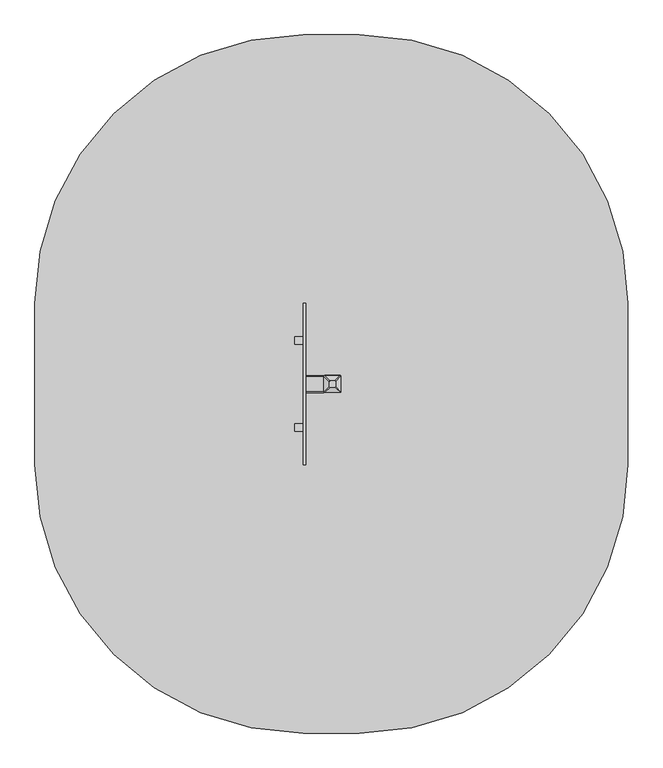
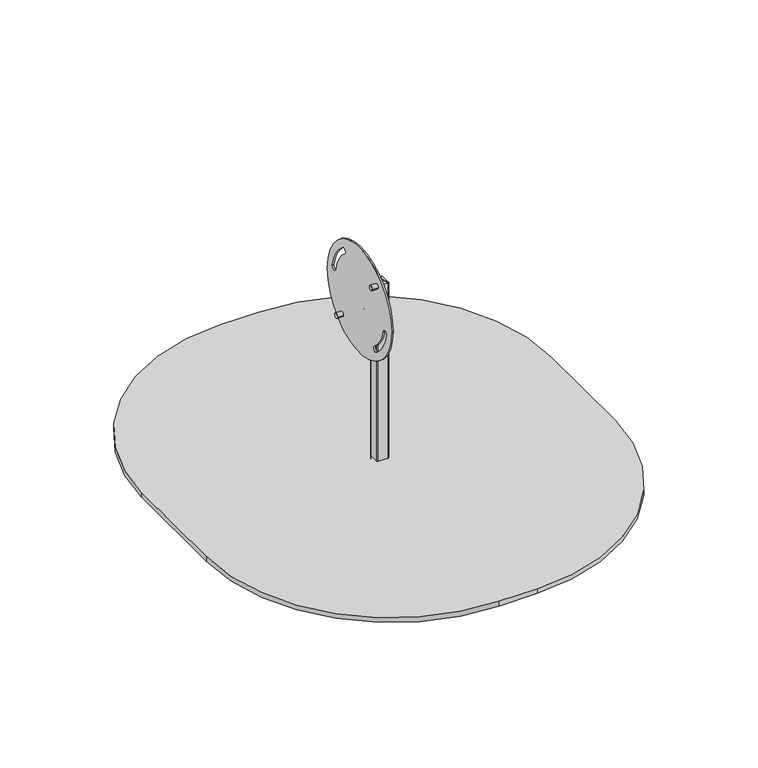
"""IFC4 building model written with IfcOpenShell, lengths in millimetres: furniture geometry."""

from ifc_helpers import new_model, si_unit, point, frame, frame_2d, origin, place, context, project, spatial, polyline, circle_curve, trimmed, segment, composite_curve, outline, extrude, source, transform, mapped, element, save
from ifc_brep_helpers import plane_surface, cylinder_surface, extruded_surface, advanced_brep


def furniture_e20603c4(model_context):
    return source(origin(), model_context, "Body", "SolidModel", [
        advanced_brep(
        [(17.5, -299.0, 1494.6967599), (17.5, -274.0, 1494.6967599), (12.5, -269.0, 1494.6967599), (-12.5, -269.0, 1494.6967599), (-17.5, -274.0, 1494.6967599), (-17.5, -299.0, 1494.6967599), (-12.5, -304.0, 1494.6967599), (12.5, -304.0, 1494.6967599), (47.5, -329.0, 1479.6967599), (42.5, -334.0, 1479.6967599), (-42.5, -334.0, 1479.6967599), (-47.5, -329.0, 1479.6967599), (-47.5, -244.0, 1479.6967599), (-42.5, -239.0, 1479.6967599), (42.5, -239.0, 1479.6967599), (47.5, -244.0, 1479.6967599)],
        [
            (0, 1),
            (1, 2, circle_curve(frame((12.5, -274.0, 1494.6967599), z_axis=(0.0, 0.0, 1.0), x_axis=(1.0, 0.0, 0.0)), 5.0)),
            (2, 3),
            (3, 4, circle_curve(frame((-12.5, -274.0, 1494.6967599), z_axis=(0.0, 0.0, 1.0), x_axis=(1.0, 0.0, 0.0)), 5.0)),
            (4, 5),
            (5, 6, circle_curve(frame((-12.5, -299.0, 1494.6967599), z_axis=(0.0, 0.0, 1.0), x_axis=(1.0, 0.0, 0.0)), 5.0)),
            (6, 7),
            (7, 0, circle_curve(frame((12.5, -299.0, 1494.6967599), z_axis=(0.0, 0.0, 1.0), x_axis=(1.0, 0.0, 0.0)), 5.0)),
            (8, 9, circle_curve(frame((42.5, -329.0, 1479.6967599), z_axis=(0.0, 0.0, -1.0), x_axis=(1.0, 0.0, 0.0)), 5.0)),
            (9, 10),
            (10, 11, circle_curve(frame((-42.5, -329.0, 1479.6967599), z_axis=(0.0, 0.0, -1.0), x_axis=(1.0, 0.0, 0.0)), 5.0)),
            (11, 12),
            (12, 13, circle_curve(frame((-42.5, -244.0, 1479.6967599), z_axis=(0.0, 0.0, -1.0), x_axis=(1.0, 0.0, 0.0)), 5.0)),
            (13, 14),
            (14, 15, circle_curve(frame((42.5, -244.0, 1479.6967599), z_axis=(0.0, 0.0, -1.0), x_axis=(1.0, 0.0, 0.0)), 5.0)),
            (15, 8),
            (15, 1),
            (0, 8),
            (14, 2),
            (13, 3),
            (12, 4),
            (11, 5),
            (10, 6),
            (9, 7),
        ],
        [
            plane_surface(frame((0.0, -286.5, 1494.6967599), z_axis=(0.0, 0.0, 1.0), x_axis=(-1.0, 0.0, 0.0))),
            plane_surface(frame((0.0, -286.5, 1479.6967599), z_axis=(0.0, 0.0, -1.0), x_axis=(-1.0, 0.0, 0.0))),
            plane_surface(frame((47.5, -286.5, 1479.6967599), z_axis=(0.447213595499958, 0.0, 0.894427190999916), x_axis=(0.0, 1.0, 0.0))),
            extruded_surface(trimmed(circle_curve(frame((42.5, -244.0, 1479.6967599), z_axis=(0.0, 0.0, 1.0), x_axis=(1.0, 0.0, 0.0)), 5.0), [point((47.5, -244.0, 1479.6967599))], [point((42.5, -239.0, 1479.6967599))], True, "CARTESIAN"), (-30.0, -30.0, 15.0), 45.0),
            plane_surface(frame((0.0, -239.0, 1479.6967599), z_axis=(0.0, 0.447213595499958, 0.894427190999916), x_axis=(-1.0, 0.0, 0.0))),
            extruded_surface(trimmed(circle_curve(frame((-42.5, -244.0, 1479.6967599), z_axis=(0.0, 0.0, 1.0), x_axis=(1.0, 0.0, 0.0)), 5.0), [point((-42.5, -239.0, 1479.6967599))], [point((-47.5, -244.0, 1479.6967599))], True, "CARTESIAN"), (30.0, -30.0, 15.0), 45.0),
            plane_surface(frame((-47.5, -286.5, 1479.6967599), z_axis=(-0.447213595499958, 0.0, 0.894427190999916), x_axis=(0.0, -1.0, 0.0))),
            extruded_surface(trimmed(circle_curve(frame((-42.5, -329.0, 1479.6967599), z_axis=(0.0, 0.0, 1.0), x_axis=(1.0, 0.0, 0.0)), 5.0), [point((-47.5, -329.0, 1479.6967599))], [point((-42.5, -334.0, 1479.6967599))], True, "CARTESIAN"), (30.0, 30.0, 15.0), 45.0),
            plane_surface(frame((0.0, -334.0, 1479.6967599), z_axis=(0.0, -0.447213595499958, 0.894427190999916), x_axis=(1.0, 0.0, 0.0))),
            extruded_surface(trimmed(circle_curve(frame((42.5, -329.0, 1479.6967599), z_axis=(0.0, 0.0, 1.0), x_axis=(1.0, 0.0, 0.0)), 5.0), [point((42.5, -334.0, 1479.6967599))], [point((47.5, -329.0, 1479.6967599))], True, "CARTESIAN"), (-30.0, 30.0, 15.0), 45.0),
        ],
        [
            (0, [[1, 2, 3, 4, 5, 6, 7, 8]]),
            (1, [[9, 10, 11, 12, 13, 14, 15, 16]]),
            (2, [[-16, 17, -1, 18]]),
            (3, [[-15, 19, -2, -17]]),
            (4, [[-14, 20, -3, -19]]),
            (5, [[-13, 21, -4, -20]]),
            (6, [[-12, 22, -5, -21]]),
            (7, [[-11, 23, -6, -22]]),
            (8, [[-10, 24, -7, -23]]),
            (9, [[-9, -18, -8, -24]]),
        ],
    ),
        extrude(outline(composite_curve([segment(trimmed(circle_curve(frame_2d((42.5, -329.0)), 5.0), [point((47.5, -329.0))], [point((42.5, -334.0))], False, "CARTESIAN"), True, "CONTINUOUS"), segment(polyline([(42.5, -334.0), (-42.5, -334.0)]), True, "CONTINUOUS"), segment(trimmed(circle_curve(frame_2d((-42.5, -329.0)), 5.0), [point((-42.5, -334.0))], [point((-47.5, -329.0))], False, "CARTESIAN"), True, "CONTINUOUS"), segment(polyline([(-47.5, -329.0), (-47.5, -244.0)]), True, "CONTINUOUS"), segment(trimmed(circle_curve(frame_2d((-42.5, -244.0)), 5.0), [point((-47.5, -244.0))], [point((-42.5, -239.0))], False, "CARTESIAN"), True, "CONTINUOUS"), segment(polyline([(-42.5, -239.0), (42.5, -239.0)]), True, "CONTINUOUS"), segment(trimmed(circle_curve(frame_2d((42.5, -244.0)), 5.0), [point((42.5, -239.0))], [point((47.5, -244.0))], False, "CARTESIAN"), True, "CONTINUOUS"), segment(polyline([(47.5, -244.0), (47.5, -329.0)]), True, "CONTINUOUS")], self_intersect=False)), frame((0.0, 0.0, -620.3032401), z_axis=(0.0, 0.0, 1.0), x_axis=(1.0, 0.0, 0.0)), (0.0, 0.0, 1.0), 500.0),
        advanced_brep(
        [(90.0, -136.5, -620.3032401), (150.0, -196.5, -620.3032401), (150.0, -376.5, -620.3032401), (90.0, -436.5, -620.3032401), (-90.0, -436.5, -620.3032401), (-150.0, -376.5, -620.3032401), (-150.0, -196.5, -620.3032401), (-90.0, -136.5, -620.3032401), (-90.0, -136.5, -480.3032401), (90.0, -136.5, -480.3032401), (-150.0, -376.5, -480.3032401), (-150.0, -196.5, -480.3032401), (90.0, -436.5, -480.3032401), (-90.0, -436.5, -480.3032401), (150.0, -196.5, -480.3032401), (150.0, -376.5, -480.3032401), (-12.2959549, -213.8010597, -270.3032401), (-72.2959549, -273.8010597, -270.3032401), (-72.2959549, -299.1989403, -270.3032401), (-12.2959549, -359.1989403, -270.3032401), (12.2959549, -359.1989403, -270.3032401), (72.2959549, -299.1989403, -270.3032401), (72.2959549, -273.8010597, -270.3032401), (12.2959549, -213.8010597, -270.3032401)],
        [
            (0, 1, circle_curve(frame((90.0, -196.5, -620.3032401), z_axis=(0.0, 0.0, -1.0), x_axis=(1.0, 0.0, 0.0)), 60.0)),
            (1, 2),
            (2, 3, circle_curve(frame((90.0, -376.5, -620.3032401), z_axis=(0.0, 0.0, -1.0), x_axis=(1.0, 0.0, 0.0)), 60.0)),
            (3, 4),
            (4, 5, circle_curve(frame((-90.0, -376.5, -620.3032401), z_axis=(0.0, 0.0, -1.0), x_axis=(1.0, 0.0, 0.0)), 60.0)),
            (5, 6),
            (6, 7, circle_curve(frame((-90.0, -196.5, -620.3032401), z_axis=(0.0, 0.0, -1.0), x_axis=(1.0, 0.0, 0.0)), 60.0)),
            (7, 0),
            (7, 8),
            (8, 9),
            (9, 0),
            (5, 10),
            (10, 11),
            (11, 6),
            (3, 12),
            (12, 13),
            (13, 4),
            (1, 14),
            (14, 15),
            (15, 2),
            (16, 17, circle_curve(frame((-12.2959549, -273.8010597, -270.3032401), z_axis=(0.0, 0.0, 1.0), x_axis=(1.0, 0.0, 0.0)), 60.0)),
            (17, 18),
            (18, 19, circle_curve(frame((-12.2959549, -299.1989403, -270.3032401), z_axis=(0.0, 0.0, 1.0), x_axis=(1.0, 0.0, 0.0)), 60.0)),
            (19, 20),
            (20, 21, circle_curve(frame((12.2959549, -299.1989403, -270.3032401), z_axis=(0.0, 0.0, 1.0), x_axis=(1.0, 0.0, 0.0)), 60.0)),
            (21, 22),
            (22, 23, circle_curve(frame((12.2959549, -273.8010597, -270.3032401), z_axis=(0.0, 0.0, 1.0), x_axis=(1.0, 0.0, 0.0)), 60.0)),
            (23, 16),
            (17, 11),
            (10, 18),
            (19, 13),
            (12, 20),
            (21, 15),
            (14, 22),
            (23, 9),
            (8, 16),
            (11, 8, circle_curve(frame((-90.0, -196.5, -480.3032401), z_axis=(0.0, 0.0, -1.0), x_axis=(1.0, 0.0, 0.0)), 60.0)),
            (13, 10, circle_curve(frame((-90.0, -376.5, -480.3032401), z_axis=(0.0, 0.0, -1.0), x_axis=(1.0, 0.0, 0.0)), 60.0)),
            (15, 12, circle_curve(frame((90.0, -376.5, -480.3032401), z_axis=(0.0, 0.0, -1.0), x_axis=(1.0, 0.0, 0.0)), 60.0)),
            (9, 14, circle_curve(frame((90.0, -196.5, -480.3032401), z_axis=(0.0, 0.0, -1.0), x_axis=(1.0, 0.0, 0.0)), 60.0)),
        ],
        [
            plane_surface(frame((-176.6329682, -136.5, -620.3032401), z_axis=(0.0, 0.0, -1.0), x_axis=(1.0, 0.0, 0.0))),
            plane_surface(frame((90.0, -136.5, -480.3032401), z_axis=(0.0, 1.0, 0.0), x_axis=(0.0, 0.0, -1.0))),
            plane_surface(frame((-150.0, -196.5, -480.3032401), z_axis=(-1.0, 0.0, 0.0), x_axis=(0.0, 0.0, -1.0))),
            plane_surface(frame((-90.0, -436.5, -480.3032401), z_axis=(0.0, -1.0, 0.0), x_axis=(0.0, 0.0, -1.0))),
            plane_surface(frame((150.0, -376.5, -480.3032401), z_axis=(1.0, 0.0, 0.0), x_axis=(0.0, 0.0, -1.0))),
            plane_surface(frame((0.0, -286.5, -270.3032401), z_axis=(0.0, 0.0, 1.0), x_axis=(-1.0, 0.0, 0.0))),
            plane_surface(frame((-150.0, -286.5, -480.3032401), z_axis=(-0.9378559633153523, 0.0, 0.3470247715564883), x_axis=(0.0, -1.0, 0.0))),
            plane_surface(frame((0.0, -436.5, -480.3032401), z_axis=(0.0, -0.9384407279810882, 0.3454402988452927), x_axis=(1.0, 0.0, 0.0))),
            plane_surface(frame((150.0, -286.5, -480.3032401), z_axis=(0.9378559633153524, 0.0, 0.34702477155648764), x_axis=(0.0, 1.0, 0.0))),
            plane_surface(frame((0.0, -136.5, -480.3032401), z_axis=(0.0, 0.9384407279810884, 0.3454402988452924), x_axis=(-1.0, 0.0, 0.0))),
            cylinder_surface(frame((-90.0, -196.5, -620.3032401), z_axis=(0.0, 0.0, 1.0), x_axis=(1.0, 0.0, 0.0)), 60.0),
            cylinder_surface(frame((-90.0, -376.5, -620.3032401), z_axis=(0.0, 0.0, 1.0), x_axis=(1.0, 0.0, 0.0)), 60.0),
            cylinder_surface(frame((90.0, -376.5, -620.3032401), z_axis=(0.0, 0.0, 1.0), x_axis=(1.0, 0.0, 0.0)), 60.0),
            cylinder_surface(frame((90.0, -196.5, -620.3032401), z_axis=(0.0, 0.0, 1.0), x_axis=(1.0, 0.0, 0.0)), 60.0),
            extruded_surface(trimmed(circle_curve(frame((-90.0, -196.5, -480.3032401), z_axis=(0.0, 0.0, 1.0), x_axis=(1.0, 0.0, 0.0)), 60.0), [point((-90.0, -136.5, -480.3032401))], [point((-150.0, -196.5, -480.3032401))], True, "CARTESIAN"), (77.7040451, -77.3010597, 210.0), 236.8826132404947),
            extruded_surface(trimmed(circle_curve(frame((90.0, -196.5, -480.3032401), z_axis=(0.0, 0.0, 1.0), x_axis=(1.0, 0.0, 0.0)), 60.0), [point((150.0, -196.5, -480.3032401))], [point((90.0, -136.5, -480.3032401))], True, "CARTESIAN"), (-77.7040451, -77.3010597, 210.0), 236.8826132404947),
            extruded_surface(trimmed(circle_curve(frame((-90.0, -376.5, -480.3032401), z_axis=(0.0, 0.0, 1.0), x_axis=(1.0, 0.0, 0.0)), 60.0), [point((-150.0, -376.5, -480.3032401))], [point((-90.0, -436.5, -480.3032401))], True, "CARTESIAN"), (77.7040451, 77.3010597, 210.0), 236.8826132404947),
            extruded_surface(trimmed(circle_curve(frame((90.0, -376.5, -480.3032401), z_axis=(0.0, 0.0, 1.0), x_axis=(1.0, 0.0, 0.0)), 60.0), [point((90.0, -436.5, -480.3032401))], [point((150.0, -376.5, -480.3032401))], True, "CARTESIAN"), (-77.7040451, 77.3010597, 210.0), 236.8826132404947),
        ],
        [
            (0, [[1, 2, 3, 4, 5, 6, 7, 8]]),
            (1, [[-8, 9, 10, 11]]),
            (2, [[-6, 12, 13, 14]]),
            (3, [[-4, 15, 16, 17]]),
            (4, [[-2, 18, 19, 20]]),
            (5, [[21, 22, 23, 24, 25, 26, 27, 28]]),
            (6, [[-22, 29, -13, 30]]),
            (7, [[-24, 31, -16, 32]]),
            (8, [[-26, 33, -19, 34]]),
            (9, [[-28, 35, -10, 36]]),
            (10, [[-7, -14, 37, -9]]),
            (11, [[-5, -17, 38, -12]]),
            (12, [[-3, -20, 39, -15]]),
            (13, [[-1, -11, 40, -18]]),
            (14, [[-21, -36, -37, -29]]),
            (15, [[-27, -34, -40, -35]]),
            (16, [[-23, -30, -38, -31]]),
            (17, [[-25, -32, -39, -33]]),
        ],
    ),
        extrude(outline(composite_curve([segment(trimmed(circle_curve(frame_2d((-529.7391654, 1641.7388796)), 20.0), [point((-509.7391654, 1641.7388796))], [point((-549.7391654, 1641.7388796))], False, "CARTESIAN"), True, "CONTINUOUS"), segment(trimmed(circle_curve(frame_2d((-529.7391654, 1641.7388796)), 20.0), [point((-549.7391654, 1641.7388796))], [point((-509.7391654, 1641.7388796))], False, "CARTESIAN"), True, "CONTINUOUS")], self_intersect=False)), frame((-210.0, 0.0, 0.0), z_axis=(1.0, 0.0, 0.0), x_axis=(0.0, 1.0, 0.0)), (0.0, 0.0, 1.0), 48.0),
        extrude(outline(composite_curve([segment(trimmed(circle_curve(frame_2d((-43.2608346, 1110.948117)), 20.0), [point((-23.2608346, 1110.948117))], [point((-63.2608346, 1110.948117))], False, "CARTESIAN"), True, "CONTINUOUS"), segment(trimmed(circle_curve(frame_2d((-43.2608346, 1110.948117)), 20.0), [point((-63.2608346, 1110.948117))], [point((-23.2608346, 1110.948117))], False, "CARTESIAN"), True, "CONTINUOUS")], self_intersect=False)), frame((-210.0, 0.0, 0.0), z_axis=(1.0, 0.0, 0.0), x_axis=(0.0, 1.0, 0.0)), (0.0, 0.0, 1.0), 48.0),
        extrude(outline(composite_curve([segment(trimmed(circle_curve(frame_2d((-286.5, 1376.3434983)), 450.0), [point((163.5, 1376.3434983))], [point((-736.5, 1376.3434983))], False, "CARTESIAN"), True, "CONTINUOUS"), segment(trimmed(circle_curve(frame_2d((-286.5, 1376.3434983)), 450.0), [point((-736.5, 1376.3434983))], [point((163.5, 1376.3434983))], False, "CARTESIAN"), True, "CONTINUOUS")], self_intersect=False), holes=[composite_curve([segment(trimmed(circle_curve(frame_2d((-286.5, 1376.3434983)), 340.0), [point((-493.4335806, 1106.5686047))], [point((-619.8278418, 1309.317012))], False, "CARTESIAN"), True, "CONTINUOUS"), segment(trimmed(circle_curve(frame_2d((-641.8863019, 1304.8814357)), 22.5), [point((-619.8278418, 1309.317012))], [point((-663.9447621, 1300.4458594))], True, "CARTESIAN"), True, "CONTINUOUS"), segment(trimmed(circle_curve(frame_2d((-286.5, 1376.3434983)), 385.0), [point((-663.9447621, 1300.4458594))], [point((-524.8179131, 1073.9702649))], True, "CARTESIAN"), True, "CONTINUOUS"), segment(trimmed(circle_curve(frame_2d((-286.5, 1376.3434983)), 385.0), [point((-524.8179131, 1073.9702649))], [point((-520.6994963, 1070.7692914))], True, "CARTESIAN"), True, "CONTINUOUS"), segment(trimmed(circle_curve(frame_2d((-507.0701225, 1088.6716778)), 22.5001171), [point((-520.6994963, 1070.7692914))], [point((-493.4335806, 1106.5686047))], True, "CARTESIAN"), True, "CONTINUOUS")], self_intersect=False), composite_curve([segment(trimmed(circle_curve(frame_2d((-62.3183744, 1660.7808792)), 22.8370189), [point((-48.1820869, 1678.7167318))], [point((-80.254227, 1646.6445917))], True, "CARTESIAN"), True, "CONTINUOUS"), segment(trimmed(circle_curve(frame_2d((-286.5, 1376.3434983)), 340.0), [point((-80.254227, 1646.6445917))], [point((48.2519645, 1435.8508276))], False, "CARTESIAN"), True, "CONTINUOUS"), segment(trimmed(circle_curve(frame_2d((70.4046681, 1439.7888127)), 22.5), [point((48.2519645, 1435.8508276))], [point((92.5573716, 1443.7267977))], True, "CARTESIAN"), True, "CONTINUOUS"), segment(trimmed(circle_curve(frame_2d((-286.5, 1376.3434983)), 385.0), [point((92.5573716, 1443.7267977))], [point((-48.1820869, 1678.7167318))], True, "CARTESIAN"), True, "CONTINUOUS")], self_intersect=False)]), frame((-162.0, 0.0, 0.0), z_axis=(1.0, 0.0, 0.0), x_axis=(0.0, 1.0, 0.0)), (0.0, 0.0, 1.0), 12.0),
        extrude(outline(composite_curve([segment(polyline([(-329.6327276, 1418.675873), (-244.6327276, 1418.675873)]), True, "CONTINUOUS"), segment(trimmed(circle_curve(frame_2d((-244.6327276, 1413.675873)), 5.0), [point((-244.6327276, 1418.675873))], [point((-239.6327276, 1413.675873))], False, "CARTESIAN"), True, "CONTINUOUS"), segment(polyline([(-239.6327276, 1413.675873), (-239.6327276, 1328.675873)]), True, "CONTINUOUS"), segment(trimmed(circle_curve(frame_2d((-244.6327276, 1328.675873)), 5.0), [point((-239.6327276, 1328.675873))], [point((-244.6327276, 1323.675873))], False, "CARTESIAN"), True, "CONTINUOUS"), segment(polyline([(-244.6327276, 1323.675873), (-329.6327276, 1323.675873)]), True, "CONTINUOUS"), segment(trimmed(circle_curve(frame_2d((-329.6327276, 1328.675873)), 5.0), [point((-329.6327276, 1323.675873))], [point((-334.6327276, 1328.675873))], False, "CARTESIAN"), True, "CONTINUOUS"), segment(polyline([(-334.6327276, 1328.675873), (-334.6327276, 1413.675873)]), True, "CONTINUOUS"), segment(trimmed(circle_curve(frame_2d((-329.6327276, 1413.675873)), 5.0), [point((-334.6327276, 1413.675873))], [point((-329.6327276, 1418.675873))], False, "CARTESIAN"), True, "CONTINUOUS")], self_intersect=False)), frame((-150.0, 0.0, 0.0), z_axis=(1.0, 0.0, 0.0), x_axis=(0.0, 1.0, 0.0)), (0.0, 0.0, 1.0), 102.5),
        extrude(outline(composite_curve([segment(trimmed(circle_curve(frame_2d((150.0, 163.5)), 1500.0), [point((150.0, 1663.5))], [point((1650.0, 163.5))], False, "CARTESIAN"), True, "CONTINUOUS"), segment(polyline([(1650.0, 163.5), (1650.0, -736.5)]), True, "CONTINUOUS"), segment(trimmed(circle_curve(frame_2d((150.0, -736.5)), 1500.0), [point((1650.0, -736.5))], [point((150.0, -2236.5))], False, "CARTESIAN"), True, "CONTINUOUS"), segment(polyline([(150.0, -2236.5), (-162.0, -2236.5)]), True, "CONTINUOUS"), segment(trimmed(circle_curve(frame_2d((-162.0, -736.5)), 1500.0), [point((-162.0, -2236.5))], [point((-1662.0, -736.5))], False, "CARTESIAN"), True, "CONTINUOUS"), segment(polyline([(-1662.0, -736.5), (-1662.0, 163.5)]), True, "CONTINUOUS"), segment(trimmed(circle_curve(frame_2d((-162.0, 163.5)), 1500.0), [point((-1662.0, 163.5))], [point((-162.0, 1663.5))], False, "CARTESIAN"), True, "CONTINUOUS"), segment(polyline([(-162.0, 1663.5), (150.0, 1663.5)]), True, "CONTINUOUS")], self_intersect=False)), frame((0.0, 0.0, -60.3032401), z_axis=(0.0, 0.0, 1.0), x_axis=(1.0, 0.0, 0.0)), (0.0, 0.0, 1.0), 41.0),
        extrude(outline(composite_curve([segment(polyline([(-42.5, -239.0), (42.5, -239.0)]), True, "CONTINUOUS"), segment(trimmed(circle_curve(frame_2d((42.5, -244.0)), 5.0), [point((42.5, -239.0))], [point((47.5, -244.0))], False, "CARTESIAN"), True, "CONTINUOUS"), segment(polyline([(47.5, -244.0), (47.5, -329.0)]), True, "CONTINUOUS"), segment(trimmed(circle_curve(frame_2d((42.5, -329.0)), 5.0), [point((47.5, -329.0))], [point((42.5, -334.0))], False, "CARTESIAN"), True, "CONTINUOUS"), segment(polyline([(42.5, -334.0), (-42.5, -334.0)]), True, "CONTINUOUS"), segment(trimmed(circle_curve(frame_2d((-42.5, -329.0)), 5.0), [point((-42.5, -334.0))], [point((-47.5, -329.0))], False, "CARTESIAN"), True, "CONTINUOUS"), segment(polyline([(-47.5, -329.0), (-47.5, -244.0)]), True, "CONTINUOUS"), segment(trimmed(circle_curve(frame_2d((-42.5, -244.0)), 5.0), [point((-47.5, -244.0))], [point((-42.5, -239.0))], False, "CARTESIAN"), True, "CONTINUOUS")], self_intersect=False)), frame((0.0, 0.0, -120.3032401), z_axis=(0.0, 0.0, 1.0), x_axis=(1.0, 0.0, 0.0)), (0.0, 0.0, 1.0), 1600.0),
    ])


if __name__ == "__main__":
    model = new_model("IFC4")
    model_context = context("Model", 3, world=origin())
    ifc_project = project(units=[si_unit("LENGTHUNIT", "METRE", prefix="MILLI")], contexts=[model_context])
    site = spatial("IfcSite", under=ifc_project)
    building = spatial("IfcBuilding", under=site)
    placement = place(None, origin())
    furniture_shape = furniture_e20603c4(model_context)
    element("IfcFurniture", 1, at=placement, inside=building, context=model_context, shape_type="MappedRepresentation", body=[
        mapped(furniture_shape, transform((0.0, 0.0, 0.0), x_axis=(1.0, 0.0, 0.0), y_axis=(0.0, 1.0, 0.0), z_axis=(0.0, 0.0, 1.0))),
    ])
    save(model, "model.ifc")
